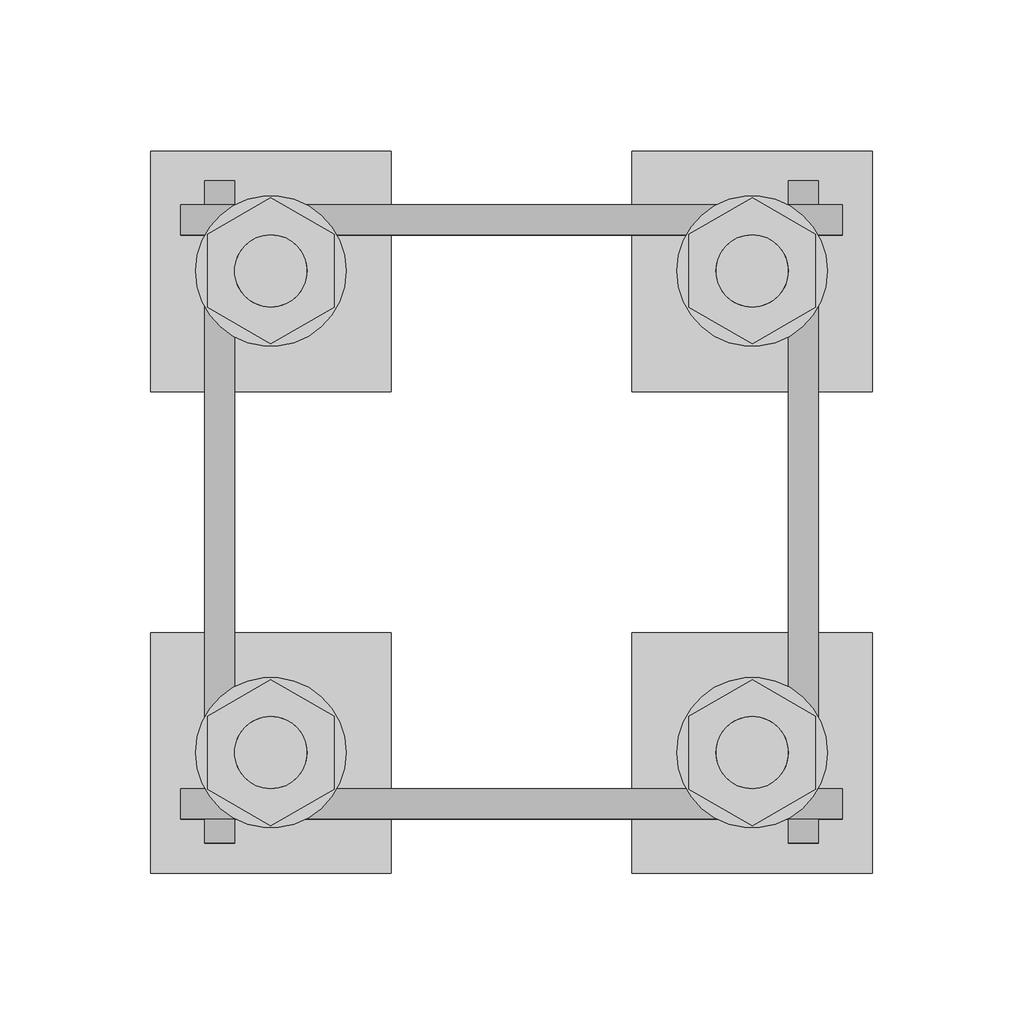
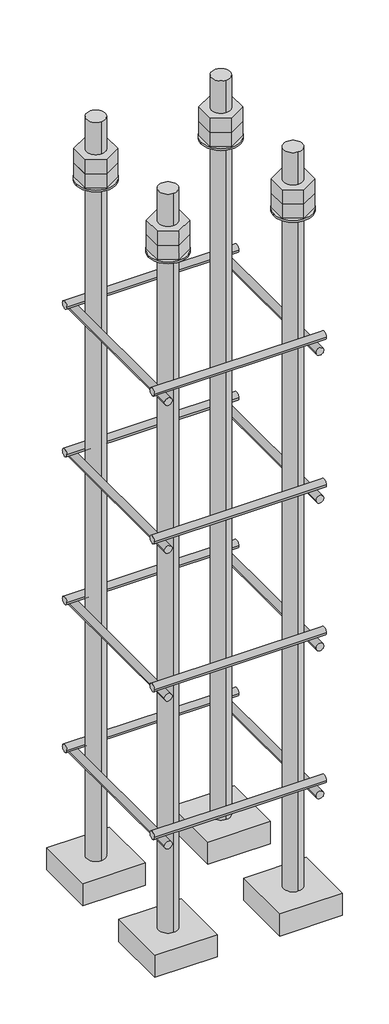
# One storey, part 12 of 66: 1 fastener.
"""IFC4 building model written with IfcOpenShell, lengths in millimetres."""

from ifc_helpers import new_model, si_unit, point, frame, frame_2d, origin, place, context, project, spatial, polyline, circle_curve, trimmed, segment, composite_curve, outline, extrude, element, save
from ifc_brep_helpers import plane_surface, cylinder_surface, advanced_brep

model = new_model("IFC4")

# Units and contexts
model_context = context("Model", 3, world=origin())
ifc_project = project(units=[si_unit("LENGTHUNIT", "METRE", prefix="MILLI")], contexts=[model_context])

# Site, building, storey
site = spatial("IfcSite", under=ifc_project)
building = spatial("IfcBuilding", under=site)
storey = spatial("IfcBuildingStorey", under=building, Elevation=9070.0)

# Fastener
placement = place(None, origin())
element("IfcFastener", 1, ObjectType="AU1 : AU-01", at=placement, inside=storey, context=model_context, shape_type="SolidModel", body=[
    extrude(outline(composite_curve([segment(trimmed(circle_curve(frame_2d((20703.0, 8795.0)), 5.0), [point((20698.0, 8795.0))], [point((20708.0, 8795.0))], False, "CARTESIAN"), True, "CONTINUOUS"), segment(trimmed(circle_curve(frame_2d((20703.0, 8795.0)), 5.0), [point((20708.0, 8795.0))], [point((20698.0, 8795.0))], False, "CARTESIAN"), True, "CONTINUOUS")], self_intersect=False)), frame((20740.0, 0.0, 0.0), z_axis=(1.0, 0.0, 0.0), x_axis=(0.0, 1.0, 0.0)), (0.0, 0.0, 1.0), 220.0),
    extrude(outline(composite_curve([segment(trimmed(circle_curve(frame_2d((20897.0, 8795.0)), 5.0), [point((20902.0, 8795.0))], [point((20892.0, 8795.0))], False, "CARTESIAN"), True, "CONTINUOUS"), segment(trimmed(circle_curve(frame_2d((20897.0, 8795.0)), 5.0), [point((20892.0, 8795.0))], [point((20902.0, 8795.0))], False, "CARTESIAN"), True, "CONTINUOUS")], self_intersect=False)), frame((20740.0, 0.0, 0.0), z_axis=(1.0, 0.0, 0.0), x_axis=(0.0, 1.0, 0.0)), (0.0, 0.0, 1.0), 220.0),
    extrude(outline(composite_curve([segment(trimmed(circle_curve(frame_2d((8785.0, 20753.0)), 5.0), [point((8785.0, 20748.0))], [point((8785.0, 20758.0))], False, "CARTESIAN"), True, "CONTINUOUS"), segment(trimmed(circle_curve(frame_2d((8785.0, 20753.0)), 5.0), [point((8785.0, 20758.0))], [point((8785.0, 20748.0))], False, "CARTESIAN"), True, "CONTINUOUS")], self_intersect=False)), frame((0.0, 20690.0, 0.0), z_axis=(0.0, 1.0, 0.0), x_axis=(0.0, 0.0, 1.0)), (0.0, 0.0, 1.0), 220.0),
    extrude(outline(composite_curve([segment(trimmed(circle_curve(frame_2d((8785.0, 20947.0)), 5.0), [point((8785.0, 20952.0))], [point((8785.0, 20942.0))], False, "CARTESIAN"), True, "CONTINUOUS"), segment(trimmed(circle_curve(frame_2d((8785.0, 20947.0)), 5.0), [point((8785.0, 20942.0))], [point((8785.0, 20952.0))], False, "CARTESIAN"), True, "CONTINUOUS")], self_intersect=False)), frame((0.0, 20690.0, 0.0), z_axis=(0.0, 1.0, 0.0), x_axis=(0.0, 0.0, 1.0)), (0.0, 0.0, 1.0), 220.0),
    extrude(outline(composite_curve([segment(trimmed(circle_curve(frame_2d((20703.0, 8995.0)), 5.0), [point((20698.0, 8995.0))], [point((20708.0, 8995.0))], False, "CARTESIAN"), True, "CONTINUOUS"), segment(trimmed(circle_curve(frame_2d((20703.0, 8995.0)), 5.0), [point((20708.0, 8995.0))], [point((20698.0, 8995.0))], False, "CARTESIAN"), True, "CONTINUOUS")], self_intersect=False)), frame((20740.0, 0.0, 0.0), z_axis=(1.0, 0.0, 0.0), x_axis=(0.0, 1.0, 0.0)), (0.0, 0.0, 1.0), 220.0),
    extrude(outline(composite_curve([segment(trimmed(circle_curve(frame_2d((20897.0, 8995.0)), 5.0), [point((20902.0, 8995.0))], [point((20892.0, 8995.0))], False, "CARTESIAN"), True, "CONTINUOUS"), segment(trimmed(circle_curve(frame_2d((20897.0, 8995.0)), 5.0), [point((20892.0, 8995.0))], [point((20902.0, 8995.0))], False, "CARTESIAN"), True, "CONTINUOUS")], self_intersect=False)), frame((20740.0, 0.0, 0.0), z_axis=(1.0, 0.0, 0.0), x_axis=(0.0, 1.0, 0.0)), (0.0, 0.0, 1.0), 220.0),
    extrude(outline(composite_curve([segment(trimmed(circle_curve(frame_2d((8985.0, 20753.0)), 5.0), [point((8985.0, 20748.0))], [point((8985.0, 20758.0))], False, "CARTESIAN"), True, "CONTINUOUS"), segment(trimmed(circle_curve(frame_2d((8985.0, 20753.0)), 5.0), [point((8985.0, 20758.0))], [point((8985.0, 20748.0))], False, "CARTESIAN"), True, "CONTINUOUS")], self_intersect=False)), frame((0.0, 20690.0, 0.0), z_axis=(0.0, 1.0, 0.0), x_axis=(0.0, 0.0, 1.0)), (0.0, 0.0, 1.0), 220.0),
    extrude(outline(composite_curve([segment(trimmed(circle_curve(frame_2d((8985.0, 20947.0)), 5.0), [point((8985.0, 20952.0))], [point((8985.0, 20942.0))], False, "CARTESIAN"), True, "CONTINUOUS"), segment(trimmed(circle_curve(frame_2d((8985.0, 20947.0)), 5.0), [point((8985.0, 20942.0))], [point((8985.0, 20952.0))], False, "CARTESIAN"), True, "CONTINUOUS")], self_intersect=False)), frame((0.0, 20690.0, 0.0), z_axis=(0.0, 1.0, 0.0), x_axis=(0.0, 0.0, 1.0)), (0.0, 0.0, 1.0), 220.0),
    extrude(outline(composite_curve([segment(trimmed(circle_curve(frame_2d((20703.0, 9195.0)), 5.0), [point((20698.0, 9195.0))], [point((20708.0, 9195.0))], False, "CARTESIAN"), True, "CONTINUOUS"), segment(trimmed(circle_curve(frame_2d((20703.0, 9195.0)), 5.0), [point((20708.0, 9195.0))], [point((20698.0, 9195.0))], False, "CARTESIAN"), True, "CONTINUOUS")], self_intersect=False)), frame((20740.0, 0.0, 0.0), z_axis=(1.0, 0.0, 0.0), x_axis=(0.0, 1.0, 0.0)), (0.0, 0.0, 1.0), 220.0),
    extrude(outline(composite_curve([segment(trimmed(circle_curve(frame_2d((20897.0, 9195.0)), 5.0), [point((20902.0, 9195.0))], [point((20892.0, 9195.0))], False, "CARTESIAN"), True, "CONTINUOUS"), segment(trimmed(circle_curve(frame_2d((20897.0, 9195.0)), 5.0), [point((20892.0, 9195.0))], [point((20902.0, 9195.0))], False, "CARTESIAN"), True, "CONTINUOUS")], self_intersect=False)), frame((20740.0, 0.0, 0.0), z_axis=(1.0, 0.0, 0.0), x_axis=(0.0, 1.0, 0.0)), (0.0, 0.0, 1.0), 220.0),
    extrude(outline(composite_curve([segment(trimmed(circle_curve(frame_2d((9185.0, 20753.0)), 5.0), [point((9185.0, 20748.0))], [point((9185.0, 20758.0))], False, "CARTESIAN"), True, "CONTINUOUS"), segment(trimmed(circle_curve(frame_2d((9185.0, 20753.0)), 5.0), [point((9185.0, 20758.0))], [point((9185.0, 20748.0))], False, "CARTESIAN"), True, "CONTINUOUS")], self_intersect=False)), frame((0.0, 20690.0, 0.0), z_axis=(0.0, 1.0, 0.0), x_axis=(0.0, 0.0, 1.0)), (0.0, 0.0, 1.0), 220.0),
    extrude(outline(composite_curve([segment(trimmed(circle_curve(frame_2d((9185.0, 20947.0)), 5.0), [point((9185.0, 20952.0))], [point((9185.0, 20942.0))], False, "CARTESIAN"), True, "CONTINUOUS"), segment(trimmed(circle_curve(frame_2d((9185.0, 20947.0)), 5.0), [point((9185.0, 20942.0))], [point((9185.0, 20952.0))], False, "CARTESIAN"), True, "CONTINUOUS")], self_intersect=False)), frame((0.0, 20690.0, 0.0), z_axis=(0.0, 1.0, 0.0), x_axis=(0.0, 0.0, 1.0)), (0.0, 0.0, 1.0), 220.0),
    extrude(outline(composite_curve([segment(trimmed(circle_curve(frame_2d((20703.0, 9395.0)), 5.0), [point((20698.0, 9395.0))], [point((20708.0, 9395.0))], False, "CARTESIAN"), True, "CONTINUOUS"), segment(trimmed(circle_curve(frame_2d((20703.0, 9395.0)), 5.0), [point((20708.0, 9395.0))], [point((20698.0, 9395.0))], False, "CARTESIAN"), True, "CONTINUOUS")], self_intersect=False)), frame((20740.0, 0.0, 0.0), z_axis=(1.0, 0.0, 0.0), x_axis=(0.0, 1.0, 0.0)), (0.0, 0.0, 1.0), 220.0),
    extrude(outline(composite_curve([segment(trimmed(circle_curve(frame_2d((20897.0, 9395.0)), 5.0), [point((20902.0, 9395.0))], [point((20892.0, 9395.0))], False, "CARTESIAN"), True, "CONTINUOUS"), segment(trimmed(circle_curve(frame_2d((20897.0, 9395.0)), 5.0), [point((20892.0, 9395.0))], [point((20902.0, 9395.0))], False, "CARTESIAN"), True, "CONTINUOUS")], self_intersect=False)), frame((20740.0, 0.0, 0.0), z_axis=(1.0, 0.0, 0.0), x_axis=(0.0, 1.0, 0.0)), (0.0, 0.0, 1.0), 220.0),
    extrude(outline(composite_curve([segment(trimmed(circle_curve(frame_2d((9385.0, 20753.0)), 5.0), [point((9385.0, 20748.0))], [point((9385.0, 20758.0))], False, "CARTESIAN"), True, "CONTINUOUS"), segment(trimmed(circle_curve(frame_2d((9385.0, 20753.0)), 5.0), [point((9385.0, 20758.0))], [point((9385.0, 20748.0))], False, "CARTESIAN"), True, "CONTINUOUS")], self_intersect=False)), frame((0.0, 20690.0, 0.0), z_axis=(0.0, 1.0, 0.0), x_axis=(0.0, 0.0, 1.0)), (0.0, 0.0, 1.0), 220.0),
    extrude(outline(composite_curve([segment(trimmed(circle_curve(frame_2d((9385.0, 20947.0)), 5.0), [point((9385.0, 20952.0))], [point((9385.0, 20942.0))], False, "CARTESIAN"), True, "CONTINUOUS"), segment(trimmed(circle_curve(frame_2d((9385.0, 20947.0)), 5.0), [point((9385.0, 20942.0))], [point((9385.0, 20952.0))], False, "CARTESIAN"), True, "CONTINUOUS")], self_intersect=False)), frame((0.0, 20690.0, 0.0), z_axis=(0.0, 1.0, 0.0), x_axis=(0.0, 0.0, 1.0)), (0.0, 0.0, 1.0), 220.0),
    advanced_brep(
    [(20810.0, 20920.0, 8650.0), (20730.0, 20920.0, 8650.0), (20730.0, 20840.0, 8650.0), (20810.0, 20840.0, 8650.0), (20770.0, 20868.0, 8650.0), (20770.0, 20892.0, 8650.0), (20810.0, 20920.0, 8620.0), (20810.0, 20840.0, 8620.0), (20730.0, 20840.0, 8620.0), (20730.0, 20920.0, 8620.0), (20770.0, 20892.0, 9650.0), (20770.0, 20868.0, 9650.0)],
    [
        (0, 1),
        (1, 2),
        (2, 3),
        (3, 0),
        (4, 5, circle_curve(frame((20770.0, 20880.0, 8650.0), z_axis=(0.0, 0.0, -1.0), x_axis=(0.0, -1.0, 0.0)), 12.0)),
        (5, 4, circle_curve(frame((20770.0, 20880.0, 8650.0), z_axis=(0.0, 0.0, -1.0), x_axis=(0.0, -1.0, 0.0)), 12.0)),
        (6, 7),
        (7, 8),
        (8, 9),
        (9, 6),
        (0, 6),
        (9, 1),
        (8, 2),
        (7, 3),
        (10, 11, circle_curve(frame((20770.0, 20880.0, 9650.0), z_axis=(0.0, 0.0, 1.0), x_axis=(0.0, -1.0, 0.0)), 12.0)),
        (11, 10, circle_curve(frame((20770.0, 20880.0, 9650.0), z_axis=(0.0, 0.0, 1.0), x_axis=(0.0, -1.0, 0.0)), 12.0)),
        (10, 5),
        (4, 11),
    ],
    [
        plane_surface(frame((20730.0, 20920.0, 8650.0), z_axis=(0.0, 0.0, 1.0), x_axis=(-1.0, 0.0, 0.0))),
        plane_surface(frame((20730.0, 20920.0, 8620.0), z_axis=(0.0, 0.0, -1.0), x_axis=(1.0, 0.0, 0.0))),
        plane_surface(frame((20810.0, 20920.0, 8650.0), z_axis=(0.0, 1.0, 0.0), x_axis=(0.0, 0.0, -1.0))),
        plane_surface(frame((20730.0, 20920.0, 8650.0), z_axis=(-1.0, 0.0, 0.0), x_axis=(0.0, 0.0, -1.0))),
        plane_surface(frame((20730.0, 20840.0, 8650.0), z_axis=(0.0, -1.0, 0.0), x_axis=(0.0, 0.0, -1.0))),
        plane_surface(frame((20810.0, 20840.0, 8650.0), z_axis=(1.0, 0.0, 0.0), x_axis=(0.0, 0.0, -1.0))),
        plane_surface(frame((20770.0, 20880.0, 9650.0), z_axis=(0.0, 0.0, 1.0), x_axis=(0.0, -1.0, 0.0))),
        cylinder_surface(frame((20770.0, 20880.0, 9650.0), z_axis=(0.0, 0.0, 1.0), x_axis=(0.0, -1.0, 0.0)), 12.0),
    ],
    [
        (0, [[1, 2, 3, 4], [5, 6]]),
        (1, [[7, 8, 9, 10]]),
        (2, [[-1, 11, -10, 12]]),
        (3, [[-2, -12, -9, 13]]),
        (4, [[-3, -13, -8, 14]]),
        (5, [[-4, -14, -7, -11]]),
        (6, [[15, 16]]),
        (7, [[-15, 17, -5, 18]]),
        (7, [[-16, -18, -6, -17]]),
    ],
),
    extrude(outline(composite_curve([segment(trimmed(circle_curve(frame_2d((20770.0, 20880.0)), 25.0), [point((20795.0, 20880.0))], [point((20745.0, 20880.0))], False, "CARTESIAN"), True, "CONTINUOUS"), segment(trimmed(circle_curve(frame_2d((20770.0, 20880.0)), 25.0), [point((20745.0, 20880.0))], [point((20795.0, 20880.0))], False, "CARTESIAN"), True, "CONTINUOUS")], self_intersect=False), holes=[composite_curve([segment(trimmed(circle_curve(frame_2d((20770.0, 20880.0)), 12.0), [point((20782.0, 20880.0))], [point((20758.0, 20880.0))], True, "CARTESIAN"), True, "CONTINUOUS"), segment(trimmed(circle_curve(frame_2d((20770.0, 20880.0)), 12.0), [point((20758.0, 20880.0))], [point((20782.0, 20880.0))], True, "CARTESIAN"), True, "CONTINUOUS")], self_intersect=False)]), frame((0.0, 0.0, 9565.0), z_axis=(0.0, 0.0, 1.0), x_axis=(1.0, 0.0, 0.0)), (0.0, 0.0, 1.0), 2.5),
    extrude(outline(polyline([(20770.0, 20904.2487113), (20791.0, 20892.1243557), (20791.0, 20867.8756443), (20770.0, 20855.7512887), (20749.0, 20867.8756443), (20749.0, 20892.1243557), (20770.0, 20904.2487113)]), holes=[composite_curve([segment(trimmed(circle_curve(frame_2d((20770.0, 20880.0)), 12.0), [point((20782.0, 20880.0))], [point((20758.0, 20880.0))], True, "CARTESIAN"), True, "CONTINUOUS"), segment(trimmed(circle_curve(frame_2d((20770.0, 20880.0)), 12.0), [point((20758.0, 20880.0))], [point((20782.0, 20880.0))], True, "CARTESIAN"), True, "CONTINUOUS")], self_intersect=False)]), frame((0.0, 0.0, 9587.0), z_axis=(0.0, 0.0, 1.0), x_axis=(1.0, 0.0, 0.0)), (0.0, 0.0, 1.0), 19.5),
    extrude(outline(polyline([(20770.0, 20904.2487113), (20791.0, 20892.1243557), (20791.0, 20867.8756443), (20770.0, 20855.7512887), (20749.0, 20867.8756443), (20749.0, 20892.1243557), (20770.0, 20904.2487113)]), holes=[composite_curve([segment(trimmed(circle_curve(frame_2d((20770.0, 20880.0)), 12.0), [point((20782.0, 20880.0))], [point((20758.0, 20880.0))], True, "CARTESIAN"), True, "CONTINUOUS"), segment(trimmed(circle_curve(frame_2d((20770.0, 20880.0)), 12.0), [point((20758.0, 20880.0))], [point((20782.0, 20880.0))], True, "CARTESIAN"), True, "CONTINUOUS")], self_intersect=False)]), frame((0.0, 0.0, 9567.5), z_axis=(0.0, 0.0, 1.0), x_axis=(1.0, 0.0, 0.0)), (0.0, 0.0, 1.0), 19.5),
    advanced_brep(
    [(20890.0, 20840.0, 8650.0), (20970.0, 20840.0, 8650.0), (20970.0, 20920.0, 8650.0), (20890.0, 20920.0, 8650.0), (20930.0, 20892.0, 8650.0), (20930.0, 20868.0, 8650.0), (20890.0, 20840.0, 8620.0), (20890.0, 20920.0, 8620.0), (20970.0, 20920.0, 8620.0), (20970.0, 20840.0, 8620.0), (20930.0, 20868.0, 9650.0), (20930.0, 20892.0, 9650.0)],
    [
        (0, 1),
        (1, 2),
        (2, 3),
        (3, 0),
        (4, 5, circle_curve(frame((20930.0, 20880.0, 8650.0), z_axis=(0.0, 0.0, -1.0), x_axis=(0.0, 1.0, 0.0)), 12.0)),
        (5, 4, circle_curve(frame((20930.0, 20880.0, 8650.0), z_axis=(0.0, 0.0, -1.0), x_axis=(0.0, 1.0, 0.0)), 12.0)),
        (6, 7),
        (7, 8),
        (8, 9),
        (9, 6),
        (0, 6),
        (9, 1),
        (8, 2),
        (7, 3),
        (10, 11, circle_curve(frame((20930.0, 20880.0, 9650.0), z_axis=(0.0, 0.0, 1.0), x_axis=(0.0, 1.0, 0.0)), 12.0)),
        (11, 10, circle_curve(frame((20930.0, 20880.0, 9650.0), z_axis=(0.0, 0.0, 1.0), x_axis=(0.0, 1.0, 0.0)), 12.0)),
        (10, 5),
        (4, 11),
    ],
    [
        plane_surface(frame((20970.0, 20840.0, 8650.0), z_axis=(0.0, 0.0, 1.0), x_axis=(1.0, 0.0, 0.0))),
        plane_surface(frame((20970.0, 20840.0, 8620.0), z_axis=(0.0, 0.0, -1.0), x_axis=(-1.0, 0.0, 0.0))),
        plane_surface(frame((20890.0, 20840.0, 8650.0), z_axis=(0.0, -1.0, 0.0), x_axis=(0.0, 0.0, -1.0))),
        plane_surface(frame((20970.0, 20840.0, 8650.0), z_axis=(1.0, 0.0, 0.0), x_axis=(0.0, 0.0, -1.0))),
        plane_surface(frame((20970.0, 20920.0, 8650.0), z_axis=(0.0, 1.0, 0.0), x_axis=(0.0, 0.0, -1.0))),
        plane_surface(frame((20890.0, 20920.0, 8650.0), z_axis=(-1.0, 0.0, 0.0), x_axis=(0.0, 0.0, -1.0))),
        plane_surface(frame((20930.0, 20880.0, 9650.0), z_axis=(0.0, 0.0, 1.0), x_axis=(0.0, 1.0, 0.0))),
        cylinder_surface(frame((20930.0, 20880.0, 9650.0), z_axis=(0.0, 0.0, 1.0), x_axis=(0.0, 1.0, 0.0)), 12.0),
    ],
    [
        (0, [[1, 2, 3, 4], [5, 6]]),
        (1, [[7, 8, 9, 10]]),
        (2, [[-1, 11, -10, 12]]),
        (3, [[-2, -12, -9, 13]]),
        (4, [[-3, -13, -8, 14]]),
        (5, [[-4, -14, -7, -11]]),
        (6, [[15, 16]]),
        (7, [[-15, 17, -5, 18]]),
        (7, [[-16, -18, -6, -17]]),
    ],
),
    extrude(outline(composite_curve([segment(trimmed(circle_curve(frame_2d((20930.0, 20880.0)), 25.0), [point((20905.0, 20880.0))], [point((20955.0, 20880.0))], False, "CARTESIAN"), True, "CONTINUOUS"), segment(trimmed(circle_curve(frame_2d((20930.0, 20880.0)), 25.0), [point((20955.0, 20880.0))], [point((20905.0, 20880.0))], False, "CARTESIAN"), True, "CONTINUOUS")], self_intersect=False), holes=[composite_curve([segment(trimmed(circle_curve(frame_2d((20930.0, 20880.0)), 12.0), [point((20918.0, 20880.0))], [point((20942.0, 20880.0))], True, "CARTESIAN"), True, "CONTINUOUS"), segment(trimmed(circle_curve(frame_2d((20930.0, 20880.0)), 12.0), [point((20942.0, 20880.0))], [point((20918.0, 20880.0))], True, "CARTESIAN"), True, "CONTINUOUS")], self_intersect=False)]), frame((0.0, 0.0, 9565.0), z_axis=(0.0, 0.0, 1.0), x_axis=(1.0, 0.0, 0.0)), (0.0, 0.0, 1.0), 2.5),
    extrude(outline(polyline([(20930.0, 20855.7512887), (20909.0, 20867.8756443), (20909.0, 20892.1243557), (20930.0, 20904.2487113), (20951.0, 20892.1243557), (20951.0, 20867.8756443), (20930.0, 20855.7512887)]), holes=[composite_curve([segment(trimmed(circle_curve(frame_2d((20930.0, 20880.0)), 12.0), [point((20918.0, 20880.0))], [point((20942.0, 20880.0))], True, "CARTESIAN"), True, "CONTINUOUS"), segment(trimmed(circle_curve(frame_2d((20930.0, 20880.0)), 12.0), [point((20942.0, 20880.0))], [point((20918.0, 20880.0))], True, "CARTESIAN"), True, "CONTINUOUS")], self_intersect=False)]), frame((0.0, 0.0, 9587.0), z_axis=(0.0, 0.0, 1.0), x_axis=(1.0, 0.0, 0.0)), (0.0, 0.0, 1.0), 19.5),
    extrude(outline(polyline([(20930.0, 20855.7512887), (20909.0, 20867.8756443), (20909.0, 20892.1243557), (20930.0, 20904.2487113), (20951.0, 20892.1243557), (20951.0, 20867.8756443), (20930.0, 20855.7512887)]), holes=[composite_curve([segment(trimmed(circle_curve(frame_2d((20930.0, 20880.0)), 12.0), [point((20918.0, 20880.0))], [point((20942.0, 20880.0))], True, "CARTESIAN"), True, "CONTINUOUS"), segment(trimmed(circle_curve(frame_2d((20930.0, 20880.0)), 12.0), [point((20942.0, 20880.0))], [point((20918.0, 20880.0))], True, "CARTESIAN"), True, "CONTINUOUS")], self_intersect=False)]), frame((0.0, 0.0, 9567.5), z_axis=(0.0, 0.0, 1.0), x_axis=(1.0, 0.0, 0.0)), (0.0, 0.0, 1.0), 19.5),
    advanced_brep(
    [(20890.0, 20680.0, 8650.0), (20970.0, 20680.0, 8650.0), (20970.0, 20760.0, 8650.0), (20890.0, 20760.0, 8650.0), (20930.0, 20732.0, 8650.0), (20930.0, 20708.0, 8650.0), (20890.0, 20680.0, 8620.0), (20890.0, 20760.0, 8620.0), (20970.0, 20760.0, 8620.0), (20970.0, 20680.0, 8620.0), (20930.0, 20708.0, 9650.0), (20930.0, 20732.0, 9650.0)],
    [
        (0, 1),
        (1, 2),
        (2, 3),
        (3, 0),
        (4, 5, circle_curve(frame((20930.0, 20720.0, 8650.0), z_axis=(0.0, 0.0, -1.0), x_axis=(0.0, 1.0, 0.0)), 12.0)),
        (5, 4, circle_curve(frame((20930.0, 20720.0, 8650.0), z_axis=(0.0, 0.0, -1.0), x_axis=(0.0, 1.0, 0.0)), 12.0)),
        (6, 7),
        (7, 8),
        (8, 9),
        (9, 6),
        (0, 6),
        (9, 1),
        (8, 2),
        (7, 3),
        (10, 11, circle_curve(frame((20930.0, 20720.0, 9650.0), z_axis=(0.0, 0.0, 1.0), x_axis=(0.0, 1.0, 0.0)), 12.0)),
        (11, 10, circle_curve(frame((20930.0, 20720.0, 9650.0), z_axis=(0.0, 0.0, 1.0), x_axis=(0.0, 1.0, 0.0)), 12.0)),
        (10, 5),
        (4, 11),
    ],
    [
        plane_surface(frame((20970.0, 20680.0, 8650.0), z_axis=(0.0, 0.0, 1.0), x_axis=(1.0, 0.0, 0.0))),
        plane_surface(frame((20970.0, 20680.0, 8620.0), z_axis=(0.0, 0.0, -1.0), x_axis=(-1.0, 0.0, 0.0))),
        plane_surface(frame((20890.0, 20680.0, 8650.0), z_axis=(0.0, -1.0, 0.0), x_axis=(0.0, 0.0, -1.0))),
        plane_surface(frame((20970.0, 20680.0, 8650.0), z_axis=(1.0, 0.0, 0.0), x_axis=(0.0, 0.0, -1.0))),
        plane_surface(frame((20970.0, 20760.0, 8650.0), z_axis=(0.0, 1.0, 0.0), x_axis=(0.0, 0.0, -1.0))),
        plane_surface(frame((20890.0, 20760.0, 8650.0), z_axis=(-1.0, 0.0, 0.0), x_axis=(0.0, 0.0, -1.0))),
        plane_surface(frame((20930.0, 20720.0, 9650.0), z_axis=(0.0, 0.0, 1.0), x_axis=(0.0, 1.0, 0.0))),
        cylinder_surface(frame((20930.0, 20720.0, 9650.0), z_axis=(0.0, 0.0, 1.0), x_axis=(0.0, 1.0, 0.0)), 12.0),
    ],
    [
        (0, [[1, 2, 3, 4], [5, 6]]),
        (1, [[7, 8, 9, 10]]),
        (2, [[-1, 11, -10, 12]]),
        (3, [[-2, -12, -9, 13]]),
        (4, [[-3, -13, -8, 14]]),
        (5, [[-4, -14, -7, -11]]),
        (6, [[15, 16]]),
        (7, [[-15, 17, -5, 18]]),
        (7, [[-16, -18, -6, -17]]),
    ],
),
    extrude(outline(composite_curve([segment(trimmed(circle_curve(frame_2d((20930.0, 20720.0)), 25.0), [point((20905.0, 20720.0))], [point((20955.0, 20720.0))], False, "CARTESIAN"), True, "CONTINUOUS"), segment(trimmed(circle_curve(frame_2d((20930.0, 20720.0)), 25.0), [point((20955.0, 20720.0))], [point((20905.0, 20720.0))], False, "CARTESIAN"), True, "CONTINUOUS")], self_intersect=False), holes=[composite_curve([segment(trimmed(circle_curve(frame_2d((20930.0, 20720.0)), 12.0), [point((20918.0, 20720.0))], [point((20942.0, 20720.0))], True, "CARTESIAN"), True, "CONTINUOUS"), segment(trimmed(circle_curve(frame_2d((20930.0, 20720.0)), 12.0), [point((20942.0, 20720.0))], [point((20918.0, 20720.0))], True, "CARTESIAN"), True, "CONTINUOUS")], self_intersect=False)]), frame((0.0, 0.0, 9565.0), z_axis=(0.0, 0.0, 1.0), x_axis=(1.0, 0.0, 0.0)), (0.0, 0.0, 1.0), 2.5),
    extrude(outline(polyline([(20930.0, 20695.7512887), (20909.0, 20707.8756443), (20909.0, 20732.1243557), (20930.0, 20744.2487113), (20951.0, 20732.1243557), (20951.0, 20707.8756443), (20930.0, 20695.7512887)]), holes=[composite_curve([segment(trimmed(circle_curve(frame_2d((20930.0, 20720.0)), 12.0), [point((20918.0, 20720.0))], [point((20942.0, 20720.0))], True, "CARTESIAN"), True, "CONTINUOUS"), segment(trimmed(circle_curve(frame_2d((20930.0, 20720.0)), 12.0), [point((20942.0, 20720.0))], [point((20918.0, 20720.0))], True, "CARTESIAN"), True, "CONTINUOUS")], self_intersect=False)]), frame((0.0, 0.0, 9587.0), z_axis=(0.0, 0.0, 1.0), x_axis=(1.0, 0.0, 0.0)), (0.0, 0.0, 1.0), 19.5),
    extrude(outline(polyline([(20930.0, 20695.7512887), (20909.0, 20707.8756443), (20909.0, 20732.1243557), (20930.0, 20744.2487113), (20951.0, 20732.1243557), (20951.0, 20707.8756443), (20930.0, 20695.7512887)]), holes=[composite_curve([segment(trimmed(circle_curve(frame_2d((20930.0, 20720.0)), 12.0), [point((20918.0, 20720.0))], [point((20942.0, 20720.0))], True, "CARTESIAN"), True, "CONTINUOUS"), segment(trimmed(circle_curve(frame_2d((20930.0, 20720.0)), 12.0), [point((20942.0, 20720.0))], [point((20918.0, 20720.0))], True, "CARTESIAN"), True, "CONTINUOUS")], self_intersect=False)]), frame((0.0, 0.0, 9567.5), z_axis=(0.0, 0.0, 1.0), x_axis=(1.0, 0.0, 0.0)), (0.0, 0.0, 1.0), 19.5),
    advanced_brep(
    [(20810.0, 20760.0, 8650.0), (20730.0, 20760.0, 8650.0), (20730.0, 20680.0, 8650.0), (20810.0, 20680.0, 8650.0), (20770.0, 20708.0, 8650.0), (20770.0, 20732.0, 8650.0), (20810.0, 20760.0, 8620.0), (20810.0, 20680.0, 8620.0), (20730.0, 20680.0, 8620.0), (20730.0, 20760.0, 8620.0), (20770.0, 20732.0, 9650.0), (20770.0, 20708.0, 9650.0)],
    [
        (0, 1),
        (1, 2),
        (2, 3),
        (3, 0),
        (4, 5, circle_curve(frame((20770.0, 20720.0, 8650.0), z_axis=(0.0, 0.0, -1.0), x_axis=(0.0, -1.0, 0.0)), 12.0)),
        (5, 4, circle_curve(frame((20770.0, 20720.0, 8650.0), z_axis=(0.0, 0.0, -1.0), x_axis=(0.0, -1.0, 0.0)), 12.0)),
        (6, 7),
        (7, 8),
        (8, 9),
        (9, 6),
        (0, 6),
        (9, 1),
        (8, 2),
        (7, 3),
        (10, 11, circle_curve(frame((20770.0, 20720.0, 9650.0), z_axis=(0.0, 0.0, 1.0), x_axis=(0.0, -1.0, 0.0)), 12.0)),
        (11, 10, circle_curve(frame((20770.0, 20720.0, 9650.0), z_axis=(0.0, 0.0, 1.0), x_axis=(0.0, -1.0, 0.0)), 12.0)),
        (10, 5),
        (4, 11),
    ],
    [
        plane_surface(frame((20730.0, 20760.0, 8650.0), z_axis=(0.0, 0.0, 1.0), x_axis=(-1.0, 0.0, 0.0))),
        plane_surface(frame((20730.0, 20760.0, 8620.0), z_axis=(0.0, 0.0, -1.0), x_axis=(1.0, 0.0, 0.0))),
        plane_surface(frame((20810.0, 20760.0, 8650.0), z_axis=(0.0, 1.0, 0.0), x_axis=(0.0, 0.0, -1.0))),
        plane_surface(frame((20730.0, 20760.0, 8650.0), z_axis=(-1.0, 0.0, 0.0), x_axis=(0.0, 0.0, -1.0))),
        plane_surface(frame((20730.0, 20680.0, 8650.0), z_axis=(0.0, -1.0, 0.0), x_axis=(0.0, 0.0, -1.0))),
        plane_surface(frame((20810.0, 20680.0, 8650.0), z_axis=(1.0, 0.0, 0.0), x_axis=(0.0, 0.0, -1.0))),
        plane_surface(frame((20770.0, 20720.0, 9650.0), z_axis=(0.0, 0.0, 1.0), x_axis=(0.0, -1.0, 0.0))),
        cylinder_surface(frame((20770.0, 20720.0, 9650.0), z_axis=(0.0, 0.0, 1.0), x_axis=(0.0, -1.0, 0.0)), 12.0),
    ],
    [
        (0, [[1, 2, 3, 4], [5, 6]]),
        (1, [[7, 8, 9, 10]]),
        (2, [[-1, 11, -10, 12]]),
        (3, [[-2, -12, -9, 13]]),
        (4, [[-3, -13, -8, 14]]),
        (5, [[-4, -14, -7, -11]]),
        (6, [[15, 16]]),
        (7, [[-15, 17, -5, 18]]),
        (7, [[-16, -18, -6, -17]]),
    ],
),
    extrude(outline(composite_curve([segment(trimmed(circle_curve(frame_2d((20770.0, 20720.0)), 25.0), [point((20795.0, 20720.0))], [point((20745.0, 20720.0))], False, "CARTESIAN"), True, "CONTINUOUS"), segment(trimmed(circle_curve(frame_2d((20770.0, 20720.0)), 25.0), [point((20745.0, 20720.0))], [point((20795.0, 20720.0))], False, "CARTESIAN"), True, "CONTINUOUS")], self_intersect=False), holes=[composite_curve([segment(trimmed(circle_curve(frame_2d((20770.0, 20720.0)), 12.0), [point((20782.0, 20720.0))], [point((20758.0, 20720.0))], True, "CARTESIAN"), True, "CONTINUOUS"), segment(trimmed(circle_curve(frame_2d((20770.0, 20720.0)), 12.0), [point((20758.0, 20720.0))], [point((20782.0, 20720.0))], True, "CARTESIAN"), True, "CONTINUOUS")], self_intersect=False)]), frame((0.0, 0.0, 9565.0), z_axis=(0.0, 0.0, 1.0), x_axis=(1.0, 0.0, 0.0)), (0.0, 0.0, 1.0), 2.5),
    extrude(outline(polyline([(20770.0, 20744.2487113), (20791.0, 20732.1243557), (20791.0, 20707.8756443), (20770.0, 20695.7512887), (20749.0, 20707.8756443), (20749.0, 20732.1243557), (20770.0, 20744.2487113)]), holes=[composite_curve([segment(trimmed(circle_curve(frame_2d((20770.0, 20720.0)), 12.0), [point((20782.0, 20720.0))], [point((20758.0, 20720.0))], True, "CARTESIAN"), True, "CONTINUOUS"), segment(trimmed(circle_curve(frame_2d((20770.0, 20720.0)), 12.0), [point((20758.0, 20720.0))], [point((20782.0, 20720.0))], True, "CARTESIAN"), True, "CONTINUOUS")], self_intersect=False)]), frame((0.0, 0.0, 9587.0), z_axis=(0.0, 0.0, 1.0), x_axis=(1.0, 0.0, 0.0)), (0.0, 0.0, 1.0), 19.5),
    extrude(outline(polyline([(20770.0, 20744.2487113), (20791.0, 20732.1243557), (20791.0, 20707.8756443), (20770.0, 20695.7512887), (20749.0, 20707.8756443), (20749.0, 20732.1243557), (20770.0, 20744.2487113)]), holes=[composite_curve([segment(trimmed(circle_curve(frame_2d((20770.0, 20720.0)), 12.0), [point((20782.0, 20720.0))], [point((20758.0, 20720.0))], True, "CARTESIAN"), True, "CONTINUOUS"), segment(trimmed(circle_curve(frame_2d((20770.0, 20720.0)), 12.0), [point((20758.0, 20720.0))], [point((20782.0, 20720.0))], True, "CARTESIAN"), True, "CONTINUOUS")], self_intersect=False)]), frame((0.0, 0.0, 9567.5), z_axis=(0.0, 0.0, 1.0), x_axis=(1.0, 0.0, 0.0)), (0.0, 0.0, 1.0), 19.5),
])

save(model, "model.ifc")
